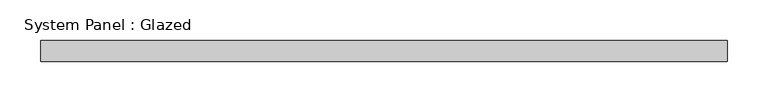
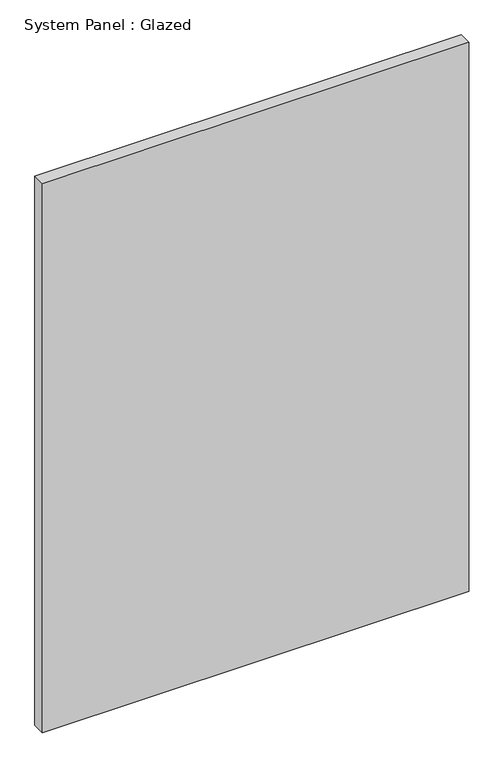
"""IFC4 building model written with IfcOpenShell, lengths in millimetres: plate geometry, System Panel : Glazed."""

from ifc_helpers import new_model, si_unit, origin, origin_with_axes, place, context, project, spatial, polyline, outline, extrude, source, transform, mapped, element, save


def system_panel_glazed_9e63bfca(model_context):
    return source(origin(), model_context, "Body", "SweptSolid", [
        extrude(outline(polyline([(420.6413418, 19.05), (-420.6413418, 19.05), (-420.6413418, 44.45), (420.6413418, 44.45), (420.6413418, 19.05)])), origin_with_axes(), (0.0, 0.0, 1.0), 1146.1010889),
    ])


if __name__ == "__main__":
    model = new_model("IFC4")
    model_context = context("Model", 3, world=origin())
    ifc_project = project(units=[si_unit("LENGTHUNIT", "METRE", prefix="MILLI")], contexts=[model_context])
    site = spatial("IfcSite", under=ifc_project)
    building = spatial("IfcBuilding", under=site)
    placement = place(None, origin())
    system_panel_glazed_shape = system_panel_glazed_9e63bfca(model_context)
    element("IfcPlate", 1, ObjectType="System Panel : Glazed", at=placement, inside=building, context=model_context, shape_type="MappedRepresentation", body=[
        mapped(system_panel_glazed_shape, transform((0.0, 0.0, 0.0), x_axis=(1.0, 0.0, 0.0), y_axis=(0.0, 1.0, 0.0), z_axis=(0.0, 0.0, 1.0))),
    ])
    save(model, "model.ifc")
